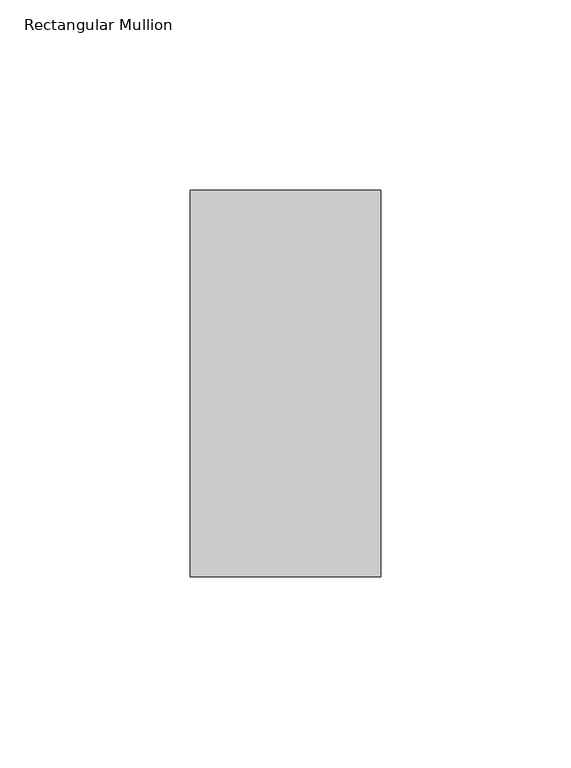
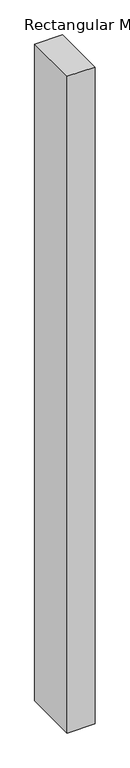
"""IFC4 building model written with IfcOpenShell, lengths in millimetres: member geometry, Rectangular Mullion."""

from ifc_helpers import new_model, si_unit, frame, origin, place, context, project, spatial, polyline, outline, extrude, source, transform, mapped, element, save


def rectangular_mullion_340ed79a(model_context):
    return source(origin(), model_context, "Body", "SweptSolid", [
        extrude(outline(polyline([(0.0, 50.8), (0.0, -50.8), (-50.0, -50.8), (-50.0, 50.8), (0.0, 50.8)])), frame((0.0, 0.0, -1250.0), z_axis=(0.0, 0.0, 1.0), x_axis=(1.0, 0.0, 0.0)), (0.0, 0.0, 1.0), 1250.0),
    ])


if __name__ == "__main__":
    model = new_model("IFC4")
    model_context = context("Model", 3, world=origin())
    ifc_project = project(units=[si_unit("LENGTHUNIT", "METRE", prefix="MILLI")], contexts=[model_context])
    site = spatial("IfcSite", under=ifc_project)
    building = spatial("IfcBuilding", under=site)
    placement = place(None, origin())
    rectangular_mullion_shape = rectangular_mullion_340ed79a(model_context)
    element("IfcMember", 1, ObjectType="Rectangular Mullion", at=placement, inside=building, context=model_context, shape_type="MappedRepresentation", body=[
        mapped(rectangular_mullion_shape, transform((0.0, 0.0, 0.0), x_axis=(1.0, 0.0, 0.0), y_axis=(0.0, 1.0, 0.0), z_axis=(0.0, 0.0, 1.0))),
    ])
    save(model, "model.ifc")
